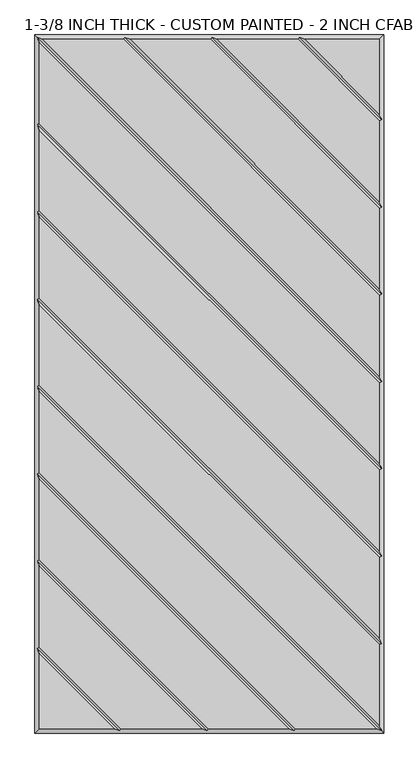
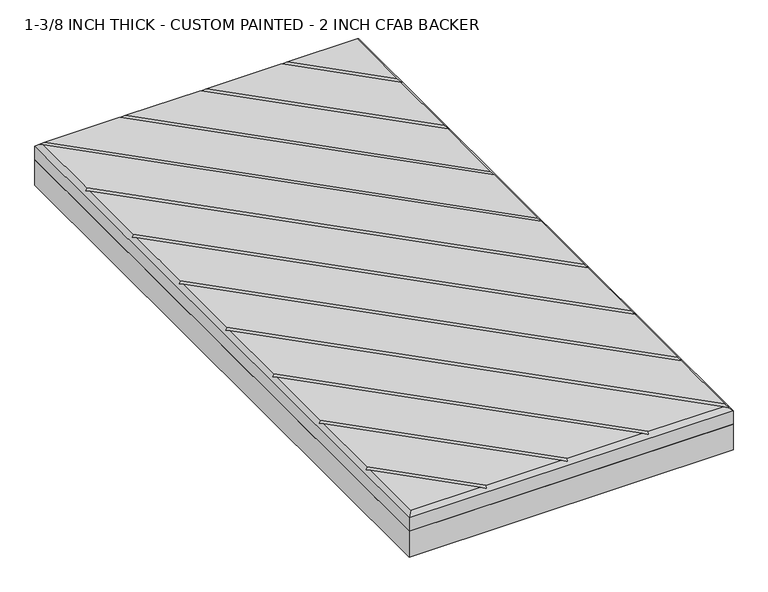
"""IFC4 building model written with IfcOpenShell, lengths in millimetres: proxy geometry, 1-3/8 INCH THICK - CUSTOM PAINTED - 2 INCH CFAB BACKER."""

from ifc_helpers import new_model, si_unit, frame, origin, place, context, project, spatial, polyline, outline, extrude, faceted_brep, source, transform, mapped, element, save


def proxy_1_3_8_inch_thick_custom_painted_2_inch_cfab_backer_0ba19ee3(model_context):
    return source(origin(), model_context, "Body", "SolidModel", [
        extrude(outline(polyline([(-304.8, 609.6), (304.8, 609.6), (304.8, -609.6), (-304.8, -609.6), (-304.8, 609.6)])), frame((0.0, 0.0, -50.8), z_axis=(0.0, 0.0, 1.0), x_axis=(1.0, 0.0, 0.0)), (0.0, 0.0, 1.0), 50.8),
        faceted_brep([(296.799, 601.599, 34.925), (166.0590948, 601.599, 34.925), (296.799, 470.8590948, 34.925), (-296.799, -601.599, 34.925), (-166.0590079, -601.599, 34.925), (-296.799, -470.8585721, 34.925), (296.799, 459.543972, 34.925), (154.743972, 601.599, 34.925), (13.6585868, 601.599, 34.925), (296.799, 318.4585868, 34.925), (296.799, 307.143464, 34.925), (2.343464, 601.599, 34.925), (-138.7419092, 601.599, 34.925), (296.799, 166.0585747, 34.925), (296.799, 154.7434583, 34.925), (-150.0570382, 601.599, 34.925), (-291.1414386, 601.599, 34.925), (296.799, 13.6585614, 34.925), (296.799, 2.3434386, 34.925), (-296.799, 595.9414386, 34.925), (-296.799, 454.8565868, 34.925), (296.799, -138.7414132, 34.925), (296.799, -150.056536, 34.925), (-296.799, 443.541464, 34.925), (-296.799, 302.4565868, 34.925), (296.799, -291.1414132, 34.925), (296.799, -302.456536, 34.925), (-296.799, 291.141464, 34.925), (-296.799, 150.0565868, 34.925), (296.799, -443.5414132, 34.925), (296.799, -454.856536, 34.925), (-296.799, 138.741464, 34.925), (-296.799, -2.3434386, 34.925), (296.799, -595.9414386, 34.925), (291.1414386, -601.599, 34.925), (-296.799, -13.6585614, 34.925), (-296.799, -154.7434132, 34.925), (150.0565868, -601.599, 34.925), (-296.799, -459.5434305, 34.925), (-154.743904, -601.599, 34.925), (-13.6585605, -601.599, 34.925), (-296.799, -318.4585369, 34.925), (-296.799, -307.1434137, 34.925), (-2.3434382, -601.599, 34.925), (138.741464, -601.599, 34.925), (-296.799, -166.058536, 34.925), (-304.8, 609.6, 0.0), (304.8, 609.6, 0.0), (304.8, -609.6, 0.0), (-304.8, -609.6, 0.0), (-304.8, -609.6, 26.924), (-304.8, 609.6, 26.924), (304.8, -609.6, 26.924), (304.8, 609.6, 26.924), (-300.7995, 605.5995, 30.9245), (-148.3999782, 605.5995, 30.9245), (4.0005254, 605.5995, 30.9245), (156.4010334, 605.5995, 30.9245), (-300.7995, -461.2004879, 30.9245), (-300.7995, -308.8004749, 30.9245), (-300.7995, -156.4004746, 30.9245), (-300.7995, -4.0005, 30.9245), (-300.7995, 148.3995254, 30.9245), (-300.7995, 300.7995254, 30.9245), (-300.7995, 453.1995254, 30.9245), (300.7995, -605.5995, 30.9245), (148.3995254, -605.5995, 30.9245), (-4.0004997, -605.5995, 30.9245), (-156.4009693, -605.5995, 30.9245), (300.7995, 461.2010334, 30.9245), (300.7995, 308.8005254, 30.9245), (300.7995, 156.400521, 30.9245), (300.7995, 4.0005, 30.9245), (300.7995, -148.3994746, 30.9245), (300.7995, -300.7994746, 30.9245), (300.7995, -453.1994746, 30.9245)], [[[0, 1, 2]], [[3, 4, 5]], [[6, 7, 8, 9]], [[10, 11, 12, 13]], [[14, 15, 16, 17]], [[18, 19, 20, 21]], [[22, 23, 24, 25]], [[26, 27, 28, 29]], [[30, 31, 32, 33]], [[34, 35, 36, 37]], [[38, 39, 40, 41]], [[42, 43, 44, 45]], [[46, 47, 48, 49]], [[46, 49, 50, 51]], [[49, 48, 52, 50]], [[48, 47, 53, 52]], [[47, 46, 51, 53]], [[0, 53, 51, 54, 16, 15, 55, 12, 11, 56, 8, 7, 57, 1]], [[50, 3, 5, 58, 38, 41, 59, 42, 45, 60, 36, 35, 61, 32, 31, 62, 28, 27, 63, 24, 23, 64, 20, 19, 54, 51]], [[3, 50, 52, 65, 34, 37, 66, 44, 43, 67, 40, 39, 68, 4]], [[53, 0, 2, 69, 6, 9, 70, 10, 13, 71, 14, 17, 72, 18, 21, 73, 22, 25, 74, 26, 29, 75, 30, 33, 65, 52]], [[57, 69, 2, 1]], [[69, 57, 7, 6]], [[56, 70, 9, 8]], [[70, 56, 11, 10]], [[55, 71, 13, 12]], [[71, 55, 15, 14]], [[54, 72, 17, 16]], [[72, 54, 19, 18]], [[64, 73, 21, 20]], [[73, 64, 23, 22]], [[63, 74, 25, 24]], [[74, 63, 27, 26]], [[62, 75, 29, 28]], [[75, 62, 31, 30]], [[61, 65, 33, 32]], [[65, 61, 35, 34]], [[58, 68, 39, 38]], [[68, 58, 5, 4]], [[59, 67, 43, 42]], [[67, 59, 41, 40]], [[60, 66, 37, 36]], [[66, 60, 45, 44]]]),
    ])


if __name__ == "__main__":
    model = new_model("IFC4")
    model_context = context("Model", 3, world=origin())
    ifc_project = project(units=[si_unit("LENGTHUNIT", "METRE", prefix="MILLI")], contexts=[model_context])
    site = spatial("IfcSite", under=ifc_project)
    building = spatial("IfcBuilding", under=site)
    placement = place(None, origin())
    proxy_1_3_8_inch_thick_custom_painted_2_inch_cfab_backer_shape = proxy_1_3_8_inch_thick_custom_painted_2_inch_cfab_backer_0ba19ee3(model_context)
    element("IfcBuildingElementProxy", 1, Name="1-3/8 INCH THICK - CUSTOM PAINTED - 2 INCH CFAB BACKER", ObjectType="1-3/8 INCH THICK - CUSTOM PAINTED - 2 INCH CFAB BACKER", at=placement, inside=building, context=model_context, shape_type="MappedRepresentation", body=[
        mapped(proxy_1_3_8_inch_thick_custom_painted_2_inch_cfab_backer_shape, transform((0.0, 0.0, 0.0), x_axis=(1.0, 0.0, 0.0), y_axis=(0.0, 1.0, 0.0), z_axis=(0.0, 0.0, 1.0))),
    ])
    save(model, "model.ifc")
